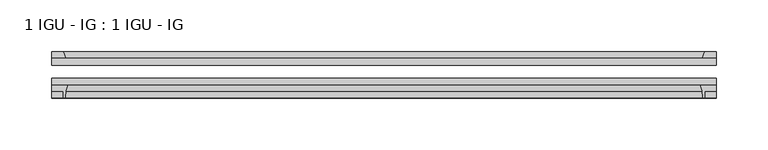
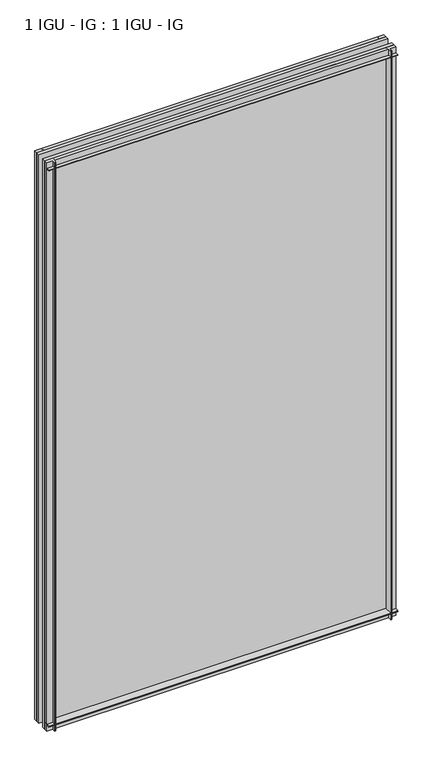
"""IFC4 building model written with IfcOpenShell, lengths in millimetres: plate geometry, 1 IGU - IG : 1 IGU - IG."""

import ifcopenshell
import ifcopenshell.guid

model = None  # the IFC model being written
_history = None  # IfcOwnerHistory: only IFC2X3 demands one
_inside = {}  # id of a spatial element -> (the spatial element, [elements in it])
_under = {}  # id of a project, library or spatial element -> (it, [spatial elements below it])
_declared = {}  # id of a project -> (the project, [libraries it declares])
_typed = {}  # id of a type object -> (the type object, [elements of that type])
_made_of = {}  # id of a material, layer set ... -> (it, [elements and type objects made of it])


def new_model(schema):
    """Start an empty IFC model of exactly this schema.

    Asked for "IFC4X3", IfcOpenShell would pick the latest addendum, in which some entities
    have other attributes; the version numbers below select the first issue.
    IFC2X3 requires an IfcOwnerHistory on every rooted entity: one is made here for all.
    """
    global model, _history
    if schema == "IFC4X3":
        model = ifcopenshell.file(schema_version=(4, 3, 0, 0))
    else:
        model = ifcopenshell.file(schema=schema)
    _inside.clear()
    _under.clear()
    _declared.clear()
    _typed.clear()
    _made_of.clear()
    _history = None
    if model.schema == "IFC2X3":
        org = make("IfcOrganization", Name="unknown")
        user = make(
            "IfcPersonAndOrganization",
            ThePerson=make("IfcPerson", FamilyName="unknown"),
            TheOrganization=org,
        )
        app = make(
            "IfcApplication",
            ApplicationDeveloper=org,
            Version="unknown",
            ApplicationFullName="unknown",
            ApplicationIdentifier="unknown",
        )
        _history = make(
            "IfcOwnerHistory",
            OwningUser=user,
            OwningApplication=app,
            ChangeAction="ADDED",
            CreationDate=0,
        )
    return model


def make(cls, **values):
    """One entity of the class cls with the attributes given. An attribute that is None is left unset."""
    return model.create_entity(
        cls, **{name: value for name, value in values.items() if value is not None}
    )


def rooted(cls, **values):
    """An entity with a GlobalId (a new one), such as an element, a storey or a relation."""
    return make(cls, GlobalId=ifcopenshell.guid.new(), OwnerHistory=_history, **values)


def si_unit(unit_type, name, prefix=None):
    """IfcSIUnit, for example si_unit("LENGTHUNIT", "METRE", prefix="MILLI")."""
    return make("IfcSIUnit", UnitType=unit_type, Prefix=prefix, Name=name)


def assignment(units):
    """IfcUnitAssignment: the units of a project."""
    return None if units is None else make("IfcUnitAssignment", Units=units)


def point(xyz):
    """IfcCartesianPoint."""
    return None if xyz is None else make("IfcCartesianPoint", Coordinates=xyz)


def direction(xyz):
    """IfcDirection."""
    return None if xyz is None else make("IfcDirection", DirectionRatios=xyz)


def frame(location, z_axis=None, x_axis=None):
    """IfcAxis2Placement3D, a coordinate frame: its origin and axes. An axis left out is left unset."""
    return make(
        "IfcAxis2Placement3D",
        Location=point(location),
        Axis=direction(z_axis),
        RefDirection=direction(x_axis),
    )


def frame_2d(location, x_axis=None):
    """IfcAxis2Placement2D, a coordinate frame in the plane: its origin and x axis."""
    return make(
        "IfcAxis2Placement2D", Location=point(location), RefDirection=direction(x_axis)
    )


def origin():
    """The frame at (0, 0, 0) with its axes left unset."""
    return frame((0.0, 0.0, 0.0))


def place(relative_to, where):
    """IfcLocalPlacement: puts the frame where relative to a parent placement (None: the world)."""
    return make(
        "IfcLocalPlacement", PlacementRelTo=relative_to, RelativePlacement=where
    )


def context(
    kind, dimensions, precision=None, world=None, true_north=None, identifier=None
):
    """IfcGeometricRepresentationContext, for example the 3D "Model" context."""
    return make(
        "IfcGeometricRepresentationContext",
        ContextIdentifier=identifier,
        ContextType=kind,
        CoordinateSpaceDimension=dimensions,
        Precision=precision,
        WorldCoordinateSystem=world,
        TrueNorth=true_north,
    )


def project(units=None, contexts=None):
    """IfcProject with its units and contexts."""
    return rooted(
        "IfcProject",
        Name="project",
        RepresentationContexts=contexts,
        UnitsInContext=assignment(units),
    )


def spatial(cls, under=None, at=None, **own):
    """A site, building, storey or space (cls), placed at a placement, below another one or the project."""
    s = rooted(cls, ObjectPlacement=at, **own)
    if under is not None:
        _under.setdefault(under.id(), (under, []))[1].append(s)
    return s


def polyline(points):
    """IfcPolyline through the points."""
    return make("IfcPolyline", Points=[point(p) for p in points])


def circle_curve(where, radius):
    """IfcCircle in the frame where."""
    return make("IfcCircle", Position=where, Radius=radius)


def trimmed(basis, trim1, trim2, sense, master):
    """IfcTrimmedCurve: the piece of a basis curve between two trims."""
    return make(
        "IfcTrimmedCurve",
        BasisCurve=basis,
        Trim1=trim1,
        Trim2=trim2,
        SenseAgreement=sense,
        MasterRepresentation=master,
    )


def segment(curve, same_sense, transition):
    """IfcCompositeCurveSegment."""
    return make(
        "IfcCompositeCurveSegment",
        Transition=transition,
        SameSense=same_sense,
        ParentCurve=curve,
    )


def composite_curve(segments, self_intersect=None):
    """IfcCompositeCurve: segments joined end to end."""
    return make("IfcCompositeCurve", Segments=segments, SelfIntersect=self_intersect)


def outline(outer, holes=None, kind="AREA"):
    """IfcArbitraryClosedProfileDef: a profile drawn as a closed curve; with holes, ...WithVoids."""
    if holes is None:
        return make("IfcArbitraryClosedProfileDef", ProfileType=kind, OuterCurve=outer)
    return make(
        "IfcArbitraryProfileDefWithVoids",
        ProfileType=kind,
        OuterCurve=outer,
        InnerCurves=holes,
    )


def extrude(swept, where, along, depth):
    """IfcExtrudedAreaSolid: the profile swept, set in the frame where, extruded along a direction by depth."""
    return make(
        "IfcExtrudedAreaSolid",
        SweptArea=swept,
        Position=where,
        ExtrudedDirection=direction(along),
        Depth=depth,
    )


def shape(context_of_items, identifier, shape_type, items):
    """IfcShapeRepresentation: the items that make up one representation, for example the "Body"."""
    return make(
        "IfcShapeRepresentation",
        ContextOfItems=context_of_items,
        RepresentationIdentifier=identifier,
        RepresentationType=shape_type,
        Items=items,
    )


def source(mapping_origin, context_of_items, identifier, shape_type, items):
    """IfcRepresentationMap: a shape defined once, which mapped items show again and again."""
    return make(
        "IfcRepresentationMap",
        MappingOrigin=mapping_origin,
        MappedRepresentation=shape(context_of_items, identifier, shape_type, items),
    )


def transform(
    local_origin,
    x_axis=None,
    y_axis=None,
    z_axis=None,
    scale=None,
    scale2=None,
    scale3=None,
    uniform=True,
):
    """IfcCartesianTransformationOperator3D, or its non-uniform kind. x_axis, y_axis, z_axis: its Axis1, 2, 3."""
    if uniform:
        return make(
            "IfcCartesianTransformationOperator3D",
            Axis1=direction(x_axis),
            Axis2=direction(y_axis),
            LocalOrigin=point(local_origin),
            Scale=scale,
            Axis3=direction(z_axis),
        )
    return make(
        "IfcCartesianTransformationOperator3DnonUniform",
        Axis1=direction(x_axis),
        Axis2=direction(y_axis),
        LocalOrigin=point(local_origin),
        Scale=scale,
        Axis3=direction(z_axis),
        Scale2=scale2,
        Scale3=scale3,
    )


def mapped(mapping_source, mapping_target):
    """IfcMappedItem: shows the shape of a source again, moved by a transform."""
    return make(
        "IfcMappedItem", MappingSource=mapping_source, MappingTarget=mapping_target
    )


def made_of(thing, what):
    """Note that an element or type object is made of a material, layer set ...; save() writes the relation."""
    if what is not None:
        _made_of.setdefault(what.id(), (what, []))[1].append(thing)
    return thing


def element(
    cls,
    number,
    at=None,
    inside=None,
    cuts=None,
    type_object=None,
    material=None,
    context=None,
    identifier="Body",
    shape_type=None,
    held_by="IfcProductDefinitionShape",
    body=None,
    shapes=None,
    **own,
):
    """One element of the class cls, such as IfcWall. Its Tag is "e" and its number.

    at: its placement. inside: the storey or other place that contains it. cuts: it is an
    opening in that element (IfcRelVoidsElement). A single representation is given by context,
    identifier, shape_type and body (its items); several are given by shapes. held_by: the class
    of the entity that holds the representations. save() writes the other relations.
    """
    e = rooted(cls, Tag="e%d" % number, ObjectPlacement=at, **own)
    if body is not None:
        shapes = [shape(context, identifier, shape_type, body)]
    if shapes is not None:
        e.Representation = make(held_by, Representations=shapes)
    if inside is not None:
        _inside.setdefault(inside.id(), (inside, []))[1].append(e)
    if cuts is not None:
        rooted(
            "IfcRelVoidsElement", RelatingBuildingElement=cuts, RelatedOpeningElement=e
        )
    if type_object is not None:
        _typed.setdefault(type_object.id(), (type_object, []))[1].append(e)
    return made_of(e, material)


def aggregate(whole, parts):
    """IfcRelAggregates: a whole, such as a stair, and the parts it consists of."""
    return rooted("IfcRelAggregates", RelatingObject=whole, RelatedObjects=parts)


def save(model, path):
    """Write the relations noted so far, then the file.

    IfcRelAggregates (storeys below a building ...), IfcRelContainedInSpatialStructure (elements
    in a storey), IfcRelDefinesByType, IfcRelAssociatesMaterial and IfcRelDeclares: one each for
    every whole, place, type object, material and project.
    """
    for whole, parts in _under.values():
        aggregate(whole, parts)
    for where, things in _inside.values():
        rooted(
            "IfcRelContainedInSpatialStructure",
            RelatedElements=things,
            RelatingStructure=where,
        )
    for kind, things in _typed.values():
        rooted("IfcRelDefinesByType", RelatedObjects=things, RelatingType=kind)
    for what, things in _made_of.values():
        rooted("IfcRelAssociatesMaterial", RelatedObjects=things, RelatingMaterial=what)
    for by, libraries in _declared.values():
        rooted("IfcRelDeclares", RelatingContext=by, RelatedDefinitions=libraries)
    model.write(path)


def plate_1_igu_ig_1_igu_ig_7be6692d(model_context):
    return source(origin(), model_context, "Body", "SweptSolid", [
        extrude(outline(polyline([(339.3839068, -31.75), (339.3839068, -38.1), (-301.2839068, -38.1), (-301.2839068, -31.75), (339.3839068, -31.75)])), frame((0.0, 0.0, -11.1125), z_axis=(0.0, 0.0, 1.0), x_axis=(1.0, 0.0, 0.0)), (0.0, 0.0, 1.0), 1101.7245636),
        extrude(outline(polyline([(-301.2839068, -12.7), (339.3839068, -12.7), (339.3839068, -19.05), (-301.2839068, -19.05), (-301.2839068, -12.7)])), frame((0.0, 0.0, -11.1125), z_axis=(0.0, 0.0, 1.0), x_axis=(1.0, 0.0, 0.0)), (0.0, 0.0, 1.0), 1101.7245636),
        extrude(outline(composite_curve([segment(polyline([(-301.2839068, -38.1), (-285.9902275, -38.1)]), True, "CONTINUOUS"), segment(trimmed(circle_curve(frame_2d((-242.7312112, -53.3794536)), 45.8781451), [point((-285.9902275, -38.1))], [point((-288.491464, -50.0925922))], True, "CARTESIAN"), True, "CONTINUOUS"), segment(trimmed(circle_curve(frame_2d((-289.2515059, -50.038)), 0.762), [point((-288.491464, -50.0925922))], [point((-289.2515059, -50.8))], False, "CARTESIAN"), True, "CONTINUOUS"), segment(polyline([(-289.2515059, -50.8), (-290.1714068, -50.8), (-290.1714068, -44.45), (-301.2839068, -44.45), (-301.2839068, -38.1)]), True, "CONTINUOUS")], self_intersect=False)), frame((0.0, 0.0, -11.1125), z_axis=(0.0, 0.0, 1.0), x_axis=(1.0, 0.0, 0.0)), (0.0, 0.0, 1.0), 1101.7245636),
        extrude(outline(polyline([(-288.0661297, -12.7), (-301.2839068, -12.7), (-301.2839068, -6.35), (-290.1714068, -6.35), (-288.0661297, -12.7)])), frame((0.0, 0.0, -11.1125), z_axis=(0.0, 0.0, 1.0), x_axis=(1.0, 0.0, 0.0)), (0.0, 0.0, 1.0), 1101.7245636),
        extrude(outline(polyline([(339.3839068, -12.7), (326.1661297, -12.7), (328.2714068, -6.35), (339.3839068, -6.35), (339.3839068, -12.7)])), frame((0.0, 0.0, -11.1125), z_axis=(0.0, 0.0, 1.0), x_axis=(1.0, 0.0, 0.0)), (0.0, 0.0, 1.0), 1101.7245636),
        extrude(outline(composite_curve([segment(polyline([(324.0902275, -38.1), (339.3839068, -38.1), (339.3839068, -44.45), (328.2714068, -44.45), (328.2714068, -50.8), (327.3515059, -50.8)]), True, "CONTINUOUS"), segment(trimmed(circle_curve(frame_2d((327.3515059, -50.038)), 0.762), [point((327.3515059, -50.8))], [point((326.591464, -50.0925922))], False, "CARTESIAN"), True, "CONTINUOUS"), segment(trimmed(circle_curve(frame_2d((280.8312112, -53.3794536)), 45.8781451), [point((326.591464, -50.0925922))], [point((324.0902275, -38.1))], True, "CARTESIAN"), True, "CONTINUOUS")], self_intersect=False)), frame((0.0, 0.0, -11.1125), z_axis=(0.0, 0.0, 1.0), x_axis=(1.0, 0.0, 0.0)), (0.0, 0.0, 1.0), 1101.7245636),
        extrude(outline(polyline([(-12.7, -11.1125), (-12.7, 2.1052771), (-6.35, 0.0), (-6.35, -11.1125), (-12.7, -11.1125)])), frame((-301.2839068, 0.0, 0.0), z_axis=(1.0, 0.0, 0.0), x_axis=(0.0, 1.0, 0.0)), (0.0, 0.0, 1.0), 640.6678136),
        extrude(outline(composite_curve([segment(polyline([(-38.1, 4.1811793), (-38.1, -11.1125), (-44.45, -11.1125), (-44.45, 0.0), (-50.8, 0.0), (-50.8, 0.9199009)]), True, "CONTINUOUS"), segment(trimmed(circle_curve(frame_2d((-50.038, 0.9199009)), 0.762), [point((-50.8, 0.9199009))], [point((-50.0925922, 1.6799428))], False, "CARTESIAN"), True, "CONTINUOUS"), segment(trimmed(circle_curve(frame_2d((-53.3794536, 47.4401956)), 45.8781451), [point((-50.0925922, 1.6799428))], [point((-38.1, 4.1811793))], True, "CARTESIAN"), True, "CONTINUOUS")], self_intersect=False)), frame((-301.2839068, 0.0, 0.0), z_axis=(1.0, 0.0, 0.0), x_axis=(0.0, 1.0, 0.0)), (0.0, 0.0, 1.0), 640.6678136),
        extrude(outline(polyline([(-6.35, 1079.4995636), (-12.7, 1077.3942865), (-12.7, 1090.6120636), (-6.35, 1090.6120636), (-6.35, 1079.4995636)])), frame((-301.2839068, 0.0, 0.0), z_axis=(1.0, 0.0, 0.0), x_axis=(0.0, 1.0, 0.0)), (0.0, 0.0, 1.0), 640.6678136),
        extrude(outline(composite_curve([segment(polyline([(-38.1, 1090.6120636), (-38.1, 1075.3183843)]), True, "CONTINUOUS"), segment(trimmed(circle_curve(frame_2d((-53.3794536, 1032.059368)), 45.8781451), [point((-38.1, 1075.3183843))], [point((-50.0925922, 1077.8196208))], True, "CARTESIAN"), True, "CONTINUOUS"), segment(trimmed(circle_curve(frame_2d((-50.038, 1078.5796627)), 0.762), [point((-50.0925922, 1077.8196208))], [point((-50.8, 1078.5796627))], False, "CARTESIAN"), True, "CONTINUOUS"), segment(polyline([(-50.8, 1078.5796627), (-50.8, 1079.4995636), (-44.45, 1079.4995636), (-44.45, 1090.6120636), (-38.1, 1090.6120636)]), True, "CONTINUOUS")], self_intersect=False)), frame((-301.2839068, 0.0, 0.0), z_axis=(1.0, 0.0, 0.0), x_axis=(0.0, 1.0, 0.0)), (0.0, 0.0, 1.0), 640.6678136),
    ])


if __name__ == "__main__":
    model = new_model("IFC4")
    model_context = context("Model", 3, world=origin())
    ifc_project = project(units=[si_unit("LENGTHUNIT", "METRE", prefix="MILLI")], contexts=[model_context])
    site = spatial("IfcSite", under=ifc_project)
    building = spatial("IfcBuilding", under=site)
    placement = place(None, origin())
    plate_1_igu_ig_1_igu_ig_shape = plate_1_igu_ig_1_igu_ig_7be6692d(model_context)
    element("IfcPlate", 1, ObjectType="1 IGU - IG : 1 IGU - IG", at=placement, inside=building, context=model_context, shape_type="MappedRepresentation", body=[
        mapped(plate_1_igu_ig_1_igu_ig_shape, transform((0.0, 0.0, 0.0), x_axis=(1.0, 0.0, 0.0), y_axis=(0.0, 1.0, 0.0), z_axis=(0.0, 0.0, 1.0))),
    ])
    save(model, "model.ifc")
